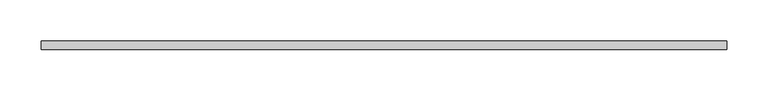
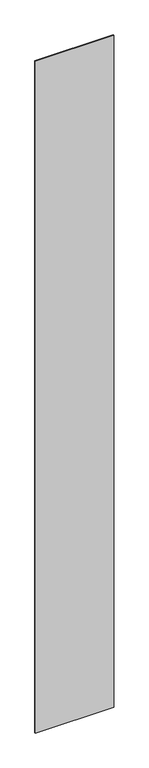
"""IFC4 building model written with IfcOpenShell, lengths in millimetres: plate geometry."""

from ifc_helpers import new_model, si_unit, origin, origin_with_axes, place, context, project, spatial, polyline, outline, extrude, source, transform, mapped, element, save


def plate_d4bf8ef6(model_context):
    return source(origin(), model_context, "Body", "SweptSolid", [
        extrude(outline(polyline([(414.369043, -5.0), (-414.369043, -5.0), (-414.369043, 5.0), (414.369043, 5.0), (414.369043, -5.0)])), origin_with_axes(), (0.0, 0.0, 1.0), 7500.0),
    ])


if __name__ == "__main__":
    model = new_model("IFC4")
    model_context = context("Model", 3, world=origin())
    ifc_project = project(units=[si_unit("LENGTHUNIT", "METRE", prefix="MILLI")], contexts=[model_context])
    site = spatial("IfcSite", under=ifc_project)
    building = spatial("IfcBuilding", under=site)
    placement = place(None, origin())
    plate_shape = plate_d4bf8ef6(model_context)
    element("IfcPlate", 1, at=placement, inside=building, context=model_context, shape_type="MappedRepresentation", body=[
        mapped(plate_shape, transform((0.0, 0.0, 0.0), x_axis=(1.0, 0.0, 0.0), y_axis=(0.0, 1.0, 0.0), z_axis=(0.0, 0.0, 1.0))),
    ])
    save(model, "model.ifc")
